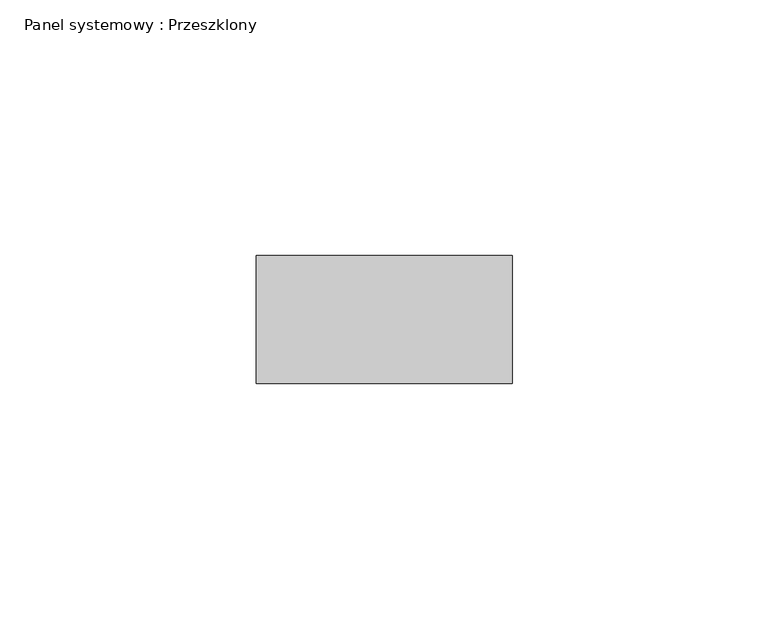
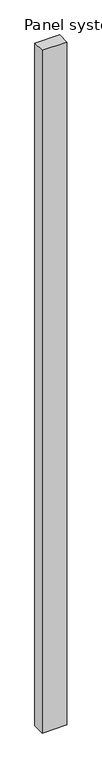
"""IFC4 building model written with IfcOpenShell, lengths in millimetres: plate geometry, Panel systemowy : Przeszklony."""

from ifc_helpers import new_model, si_unit, origin, origin_with_axes, place, context, project, spatial, polyline, outline, extrude, source, transform, mapped, element, save


def panel_systemowy_przeszklony_a81860d9(model_context):
    return source(origin(), model_context, "Body", "SweptSolid", [
        extrude(outline(polyline([(25.0, 24.5), (-25.0, 24.5), (-25.0, 49.5), (25.0, 49.5), (25.0, 24.5)])), origin_with_axes(), (0.0, 0.0, 1.0), 1450.0),
    ])


if __name__ == "__main__":
    model = new_model("IFC4")
    model_context = context("Model", 3, world=origin())
    ifc_project = project(units=[si_unit("LENGTHUNIT", "METRE", prefix="MILLI")], contexts=[model_context])
    site = spatial("IfcSite", under=ifc_project)
    building = spatial("IfcBuilding", under=site)
    placement = place(None, origin())
    panel_systemowy_przeszklony_shape = panel_systemowy_przeszklony_a81860d9(model_context)
    element("IfcPlate", 1, ObjectType="Panel systemowy : Przeszklony", at=placement, inside=building, context=model_context, shape_type="MappedRepresentation", body=[
        mapped(panel_systemowy_przeszklony_shape, transform((0.0, 0.0, 0.0), x_axis=(1.0, 0.0, 0.0), y_axis=(0.0, 1.0, 0.0), z_axis=(0.0, 0.0, 1.0))),
    ])
    save(model, "model.ifc")
